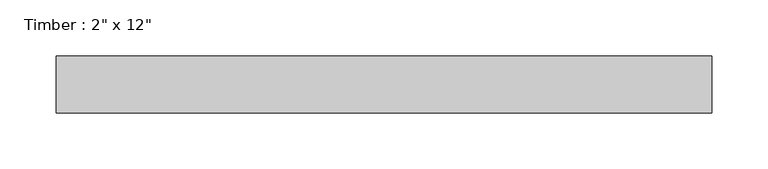
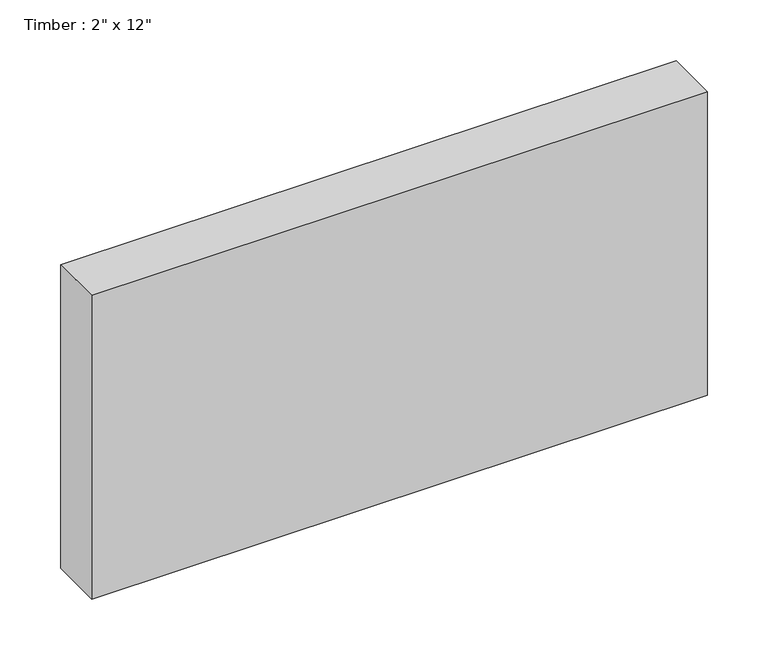
"""IFC4 building model written with IfcOpenShell, lengths in millimetres: beam geometry."""

from ifc_helpers import new_model, si_unit, frame, origin, place, context, project, spatial, polyline, outline, extrude, source, transform, mapped, element, save


def beam_f8ef0d48(model_context):
    return source(origin(), model_context, "Body", "SweptSolid", [
        extrude(outline(polyline([(292.1, 25.4), (292.1, -25.4), (-292.1, -25.4), (-292.1, 25.4), (292.1, 25.4)])), frame((0.0, 0.0, -152.4), z_axis=(0.0, 0.0, 1.0), x_axis=(1.0, 0.0, 0.0)), (0.0, 0.0, 1.0), 304.8),
    ])


if __name__ == "__main__":
    model = new_model("IFC4")
    model_context = context("Model", 3, world=origin())
    ifc_project = project(units=[si_unit("LENGTHUNIT", "METRE", prefix="MILLI")], contexts=[model_context])
    site = spatial("IfcSite", under=ifc_project)
    building = spatial("IfcBuilding", under=site)
    placement = place(None, origin())
    beam_shape = beam_f8ef0d48(model_context)
    element("IfcBeam", 1, ObjectType="Timber : 2\" x 12\"", at=placement, inside=building, context=model_context, shape_type="MappedRepresentation", body=[
        mapped(beam_shape, transform((0.0, 0.0, 0.0), x_axis=(1.0, 0.0, 0.0), y_axis=(0.0, 1.0, 0.0), z_axis=(0.0, 0.0, 1.0))),
    ])
    save(model, "model.ifc")
